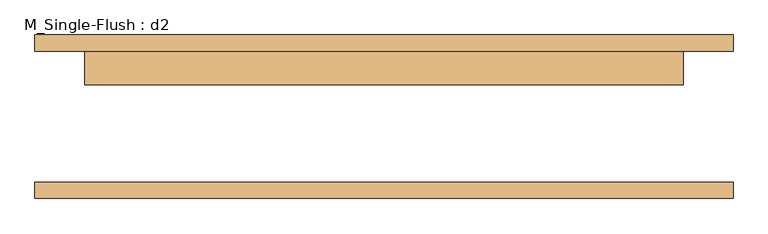
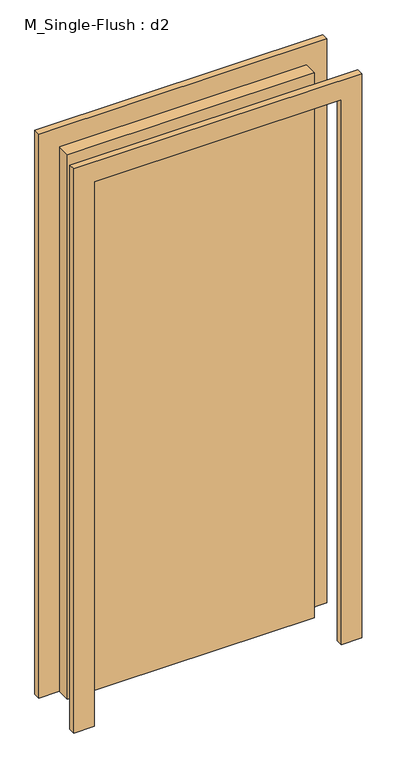
"""IFC4 building model written with IfcOpenShell, lengths in millimetres: door geometry, M_Single-Flush : d2."""

from ifc_helpers import new_model, si_unit, frame, origin, origin_with_axes, place, context, project, spatial, polyline, outline, extrude, source, transform, mapped, element, save


def m_single_flush_d2_6a9e8738(model_context):
    return source(origin(), model_context, "Body", "SweptSolid", [
        extrude(outline(polyline([(2210.0, -533.5), (0.0, -533.5), (0.0, -457.5), (2134.0, -457.5), (2134.0, 457.5), (0.0, 457.5), (0.0, 533.5), (2210.0, 533.5), (2210.0, -533.5)])), frame((0.0, 100.0, 0.0), z_axis=(0.0, 1.0, 0.0), x_axis=(0.0, 0.0, 1.0)), (0.0, 0.0, 1.0), 25.0),
        extrude(outline(polyline([(2210.0, 533.5), (2210.0, -533.5), (0.0, -533.5), (0.0, -457.5), (2134.0, -457.5), (2134.0, 457.5), (0.0, 457.5), (0.0, 533.5), (2210.0, 533.5)])), frame((0.0, -125.0, 0.0), z_axis=(0.0, 1.0, 0.0), x_axis=(0.0, 0.0, 1.0)), (0.0, 0.0, 1.0), 25.0),
        extrude(outline(polyline([(457.5, 49.0), (-457.5, 49.0), (-457.5, 100.0), (457.5, 100.0), (457.5, 49.0)])), origin_with_axes(), (0.0, 0.0, 1.0), 2134.0),
    ])


if __name__ == "__main__":
    model = new_model("IFC4")
    model_context = context("Model", 3, world=origin())
    ifc_project = project(units=[si_unit("LENGTHUNIT", "METRE", prefix="MILLI")], contexts=[model_context])
    site = spatial("IfcSite", under=ifc_project)
    building = spatial("IfcBuilding", under=site)
    placement = place(None, origin())
    m_single_flush_d2_shape = m_single_flush_d2_6a9e8738(model_context)
    element("IfcDoor", 1, ObjectType="M_Single-Flush : d2", at=placement, inside=building, context=model_context, shape_type="MappedRepresentation", body=[
        mapped(m_single_flush_d2_shape, transform((0.0, 0.0, 0.0), x_axis=(1.0, 0.0, 0.0), y_axis=(0.0, 1.0, 0.0), z_axis=(0.0, 0.0, 1.0))),
    ])
    save(model, "model.ifc")
